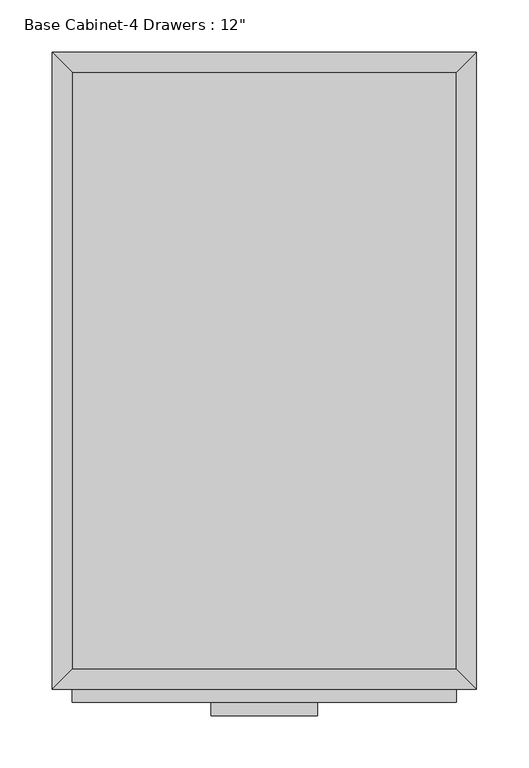
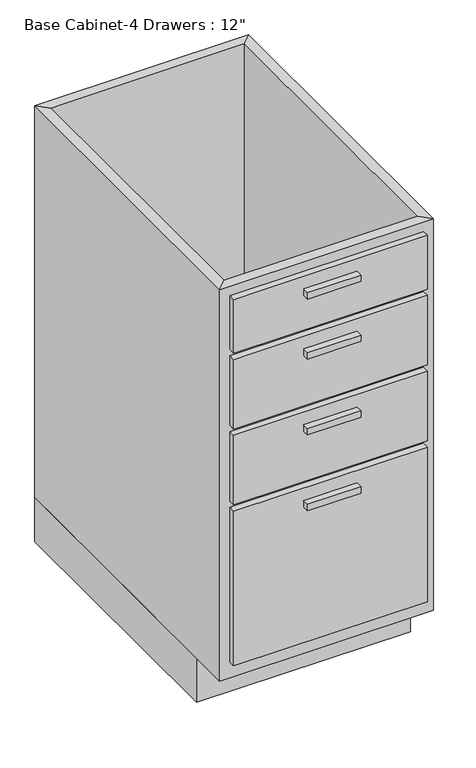
"""IFC4 building model written with IfcOpenShell, lengths in millimetres: furniture geometry."""

from ifc_helpers import new_model, si_unit, frame, origin, origin_with_axes, place, context, project, spatial, polyline, outline, extrude, faceted_brep, source, transform, mapped, element, save


def furniture_048c9636(model_context):
    return source(origin(), model_context, "Body", "SolidModel", [
        extrude(outline(polyline([(69.5377049, -635.0), (-32.0622951, -635.0), (-32.0622951, -622.3), (69.5377049, -622.3), (69.5377049, -635.0)])), frame((0.0, 0.0, 819.15), z_axis=(0.0, 0.0, 1.0), x_axis=(1.0, 0.0, 0.0)), (0.0, 0.0, 1.0), 12.7),
        extrude(outline(polyline([(69.5377049, -635.0), (-32.0622951, -635.0), (-32.0622951, -622.3), (69.5377049, -622.3), (69.5377049, -635.0)])), frame((0.0, 0.0, 698.5), z_axis=(0.0, 0.0, 1.0), x_axis=(1.0, 0.0, 0.0)), (0.0, 0.0, 1.0), 12.7),
        extrude(outline(polyline([(69.5377049, -635.0), (-32.0622951, -635.0), (-32.0622951, -622.3), (69.5377049, -622.3), (69.5377049, -635.0)])), frame((0.0, 0.0, 546.1), z_axis=(0.0, 0.0, 1.0), x_axis=(1.0, 0.0, 0.0)), (0.0, 0.0, 1.0), 12.7),
        extrude(outline(polyline([(69.5377049, -635.0), (-32.0622951, -635.0), (-32.0622951, -622.3), (69.5377049, -622.3), (69.5377049, -635.0)])), frame((0.0, 0.0, 393.7), z_axis=(0.0, 0.0, 1.0), x_axis=(1.0, 0.0, 0.0)), (0.0, 0.0, 1.0), 12.7),
        extrude(outline(polyline([(202.8877049, -622.3), (-165.4122951, -622.3), (-165.4122951, -609.6), (202.8877049, -609.6), (202.8877049, -622.3)])), frame((0.0, 0.0, 749.3), z_axis=(0.0, 0.0, 1.0), x_axis=(1.0, 0.0, 0.0)), (0.0, 0.0, 1.0), 107.95),
        extrude(outline(polyline([(202.8877049, -622.3), (-165.4122951, -622.3), (-165.4122951, -609.6), (202.8877049, -609.6), (202.8877049, -622.3)])), frame((0.0, 0.0, 596.9), z_axis=(0.0, 0.0, 1.0), x_axis=(1.0, 0.0, 0.0)), (0.0, 0.0, 1.0), 139.7),
        extrude(outline(polyline([(202.8877049, -622.3), (-165.4122951, -622.3), (-165.4122951, -609.6), (202.8877049, -609.6), (202.8877049, -622.3)])), frame((0.0, 0.0, 444.5), z_axis=(0.0, 0.0, 1.0), x_axis=(1.0, 0.0, 0.0)), (0.0, 0.0, 1.0), 139.7),
        extrude(outline(polyline([(202.8877049, -622.3), (-165.4122951, -622.3), (-165.4122951, -609.6), (202.8877049, -609.6), (202.8877049, -622.3)])), frame((0.0, 0.0, 120.65), z_axis=(0.0, 0.0, 1.0), x_axis=(1.0, 0.0, 0.0)), (0.0, 0.0, 1.0), 311.15),
        extrude(outline(polyline([(202.8877049, -19.05), (202.8877049, -590.55), (-165.4122951, -590.55), (-165.4122951, -19.05), (202.8877049, -19.05)])), frame((0.0, 0.0, 88.9), z_axis=(0.0, 0.0, 1.0), x_axis=(1.0, 0.0, 0.0)), (0.0, 0.0, 1.0), 19.05),
        faceted_brep([(202.8877049, -590.55, 876.3), (202.8877049, -590.55, 88.9), (-165.4122951, -590.55, 88.9), (-165.4122951, -590.55, 876.3), (221.9377049, -609.6, 876.3), (-184.4622951, -609.6, 876.3), (221.9377049, -609.6, 88.9), (-184.4622951, -609.6, 88.9), (-165.4122951, -19.05, 88.9), (-165.4122951, -19.05, 876.3), (-184.4622951, 0.0, 876.3), (-184.4622951, 0.0, 88.9), (202.8877049, -19.05, 88.9), (202.8877049, -19.05, 876.3), (221.9377049, 0.0, 876.3), (221.9377049, 0.0, 88.9)], [[[0, 1, 2, 3]], [[4, 0, 3, 5]], [[6, 4, 5, 7]], [[1, 6, 7, 2]], [[3, 2, 8, 9]], [[5, 3, 9, 10]], [[7, 5, 10, 11]], [[2, 7, 11, 8]], [[9, 8, 12, 13]], [[10, 9, 13, 14]], [[11, 10, 14, 15]], [[8, 11, 15, 12]], [[13, 12, 1, 0]], [[14, 13, 0, 4]], [[15, 14, 4, 6]], [[12, 15, 6, 1]]]),
        extrude(outline(polyline([(221.9377049, 0.0), (221.9377049, -533.4), (-184.4622951, -533.4), (-184.4622951, 0.0), (221.9377049, 0.0)])), origin_with_axes(), (0.0, 0.0, 1.0), 88.9),
    ])


if __name__ == "__main__":
    model = new_model("IFC4")
    model_context = context("Model", 3, world=origin())
    ifc_project = project(units=[si_unit("LENGTHUNIT", "METRE", prefix="MILLI")], contexts=[model_context])
    site = spatial("IfcSite", under=ifc_project)
    building = spatial("IfcBuilding", under=site)
    placement = place(None, origin())
    furniture_shape = furniture_048c9636(model_context)
    element("IfcFurniture", 1, ObjectType="Base Cabinet-4 Drawers : 12\"", at=placement, inside=building, context=model_context, shape_type="MappedRepresentation", body=[
        mapped(furniture_shape, transform((0.0, 0.0, 0.0), x_axis=(1.0, 0.0, 0.0), y_axis=(0.0, 1.0, 0.0), z_axis=(0.0, 0.0, 1.0))),
    ])
    save(model, "model.ifc")
